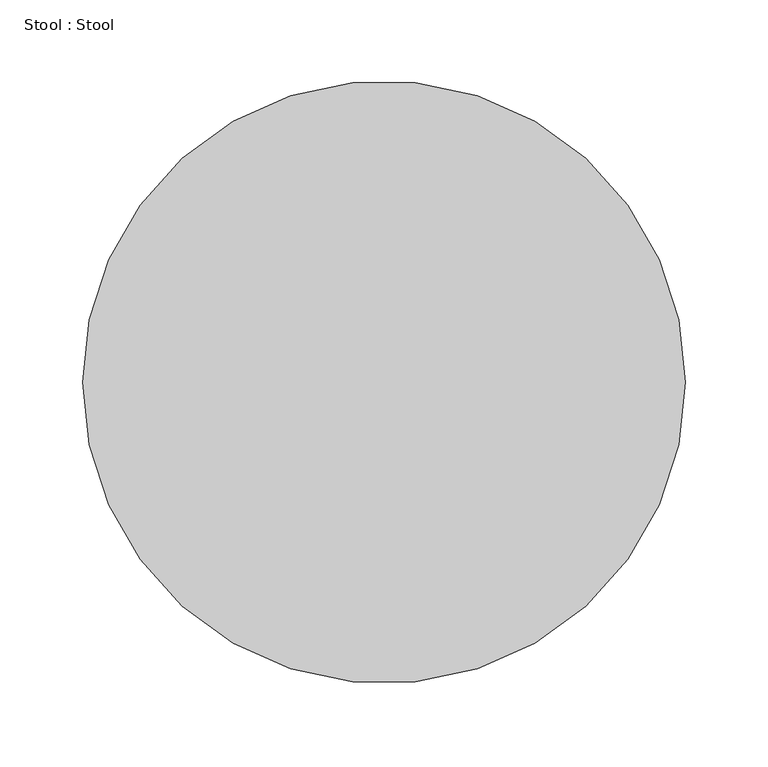
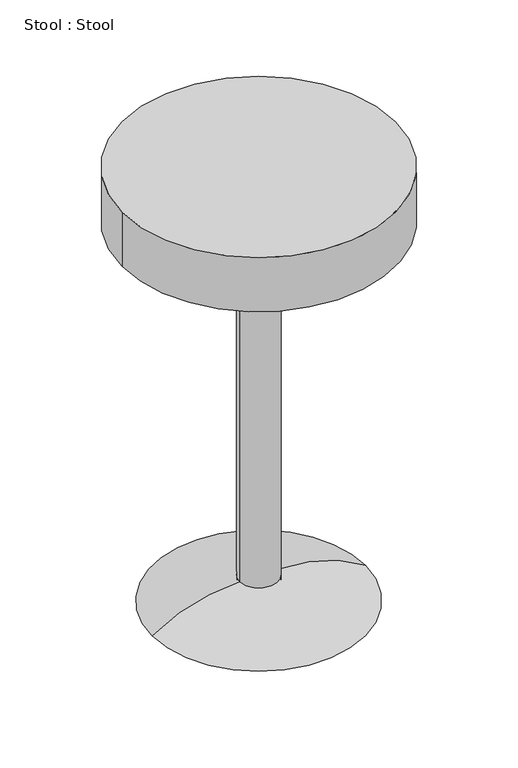
"""IFC4 building model written with IfcOpenShell, lengths in millimetres: proxy geometry, Stool : Stool."""

from ifc_helpers import new_model, si_unit, point, frame, origin, origin_with_axes, origin_2d, place, context, project, spatial, polyline, circle_curve, ellipse_curve, trimmed, segment, composite_curve, outline, extrude, source, transform, mapped, element, save
from ifc_brep_helpers import plane_surface, revolved_surface, advanced_brep


def stool_stool_7f6b7c9b(model_context):
    return source(origin(), model_context, "Body", "SolidModel", [
        advanced_brep(
        [(25.4466483, 0.0, 0.0), (25.4466483, 0.0, 35.533517), (-25.4466483, 0.0, 35.533517), (-25.4466483, 0.0, 0.0), (141.6715454, 0.0, 0.0), (-141.6715454, 0.0, 0.0)],
        [
            (0, 1),
            (1, 2, circle_curve(frame((0.0, 0.0, 35.533517), z_axis=(0.0, 0.0, 1.0), x_axis=(-1.0, 0.0, 0.0)), 25.4466483)),
            (2, 3),
            (3, 0, circle_curve(frame((0.0, 0.0, 0.0), z_axis=(0.0, 0.0, -1.0), x_axis=(-1.0, 0.0, 0.0)), 25.4466483)),
            (1, 4, circle_curve(frame((27.5960377, 0.0, -165.28016), z_axis=(0.0, 1.0, 0.0), x_axis=(-1.0, 0.0, 0.0)), 200.8251796)),
            (4, 5, circle_curve(frame((0.0, 0.0, 0.0), z_axis=(0.0, 0.0, 1.0), x_axis=(-1.0, 0.0, 0.0)), 141.6715454)),
            (5, 2, circle_curve(frame((-27.5960377, 0.0, -165.28016), z_axis=(0.0, 1.0, 0.0), x_axis=(1.0, 0.0, 0.0)), 200.8251796)),
            (2, 1, circle_curve(frame((0.0, 0.0, 35.533517), z_axis=(0.0, 0.0, 1.0), x_axis=(1.0, 0.0, 0.0)), 25.4466483)),
            (0, 3, circle_curve(frame((0.0, 0.0, 0.0), z_axis=(0.0, 0.0, -1.0), x_axis=(1.0, 0.0, 0.0)), 25.4466483)),
            (4, 5, circle_curve(frame((0.0, 0.0, 0.0), z_axis=(0.0, 0.0, -1.0), x_axis=(1.0, 0.0, 0.0)), 141.6715454)),
        ],
        [
            revolved_surface(polyline([(-25.4466483, 0.0, 35.533517), (-25.4466483, 0.0, 0.0)]), (0.0, 0.0, 0.0), (0.0, 0.0, 1.0)),
            revolved_surface(trimmed(ellipse_curve(frame((-27.5960377, 0.0, -165.28016), z_axis=(0.0, 1.0, 0.0), x_axis=(1.0, 0.0, 0.0)), 200.8251796, 200.8251796), [point((-141.6715454, 0.0, 0.0))], [point((-25.4466483, 0.0, 35.533517))], True, "CARTESIAN"), (0.0, 0.0, 0.0), (0.0, 0.0, 1.0)),
            revolved_surface(polyline([(25.4466483, 0.0, 35.533517), (25.4466483, 0.0, 0.0)]), (0.0, 0.0, 0.0), (0.0, 0.0, 1.0)),
            plane_surface(frame((0.0, 0.0, 0.0), z_axis=(0.0, 0.0, -1.0), x_axis=(1.0, 0.0, 0.0))),
            revolved_surface(trimmed(ellipse_curve(frame((27.5960377, 0.0, -165.28016), z_axis=(0.0, -1.0, 0.0), x_axis=(-1.0, 0.0, 0.0)), 200.8251796, 200.8251796), [point((141.6715454, 0.0, 0.0))], [point((25.4466483, 0.0, 35.533517))], True, "CARTESIAN"), (0.0, 0.0, 0.0), (0.0, 0.0, 1.0)),
        ],
        [
            (0, [[1, 2, 3, 4]]),
            (1, [[5, 6, 7, -2]]),
            (2, [[-3, 8, -1, 9]]),
            (3, [[-6, 10], [-4, -9]]),
            (4, [[-7, -10, -5, -8]]),
        ],
    ),
        extrude(outline(composite_curve([segment(trimmed(circle_curve(origin_2d(), 25.4466483), [point((-25.4466483, 0.0))], [point((25.4466483, 0.0))], False, "CARTESIAN"), True, "CONTINUOUS"), segment(trimmed(circle_curve(origin_2d(), 25.4466483), [point((25.4466483, 0.0))], [point((-25.4466483, 0.0))], False, "CARTESIAN"), True, "CONTINUOUS")], self_intersect=False)), origin_with_axes(), (0.0, 0.0, 1.0), 533.4),
        extrude(outline(composite_curve([segment(trimmed(circle_curve(origin_2d(), 182.0019338), [point((-182.0019338, 0.0))], [point((182.0019338, 0.0))], False, "CARTESIAN"), True, "CONTINUOUS"), segment(trimmed(circle_curve(origin_2d(), 182.0019338), [point((182.0019338, 0.0))], [point((-182.0019338, 0.0))], False, "CARTESIAN"), True, "CONTINUOUS")], self_intersect=False)), frame((0.0, 0.0, 533.4), z_axis=(0.0, 0.0, 1.0), x_axis=(1.0, 0.0, 0.0)), (0.0, 0.0, 1.0), 76.2),
    ])


if __name__ == "__main__":
    model = new_model("IFC4")
    model_context = context("Model", 3, world=origin())
    ifc_project = project(units=[si_unit("LENGTHUNIT", "METRE", prefix="MILLI")], contexts=[model_context])
    site = spatial("IfcSite", under=ifc_project)
    building = spatial("IfcBuilding", under=site)
    placement = place(None, origin())
    stool_stool_shape = stool_stool_7f6b7c9b(model_context)
    element("IfcBuildingElementProxy", 1, Name="Stool : Stool", ObjectType="Stool : Stool", at=placement, inside=building, context=model_context, shape_type="MappedRepresentation", body=[
        mapped(stool_stool_shape, transform((0.0, 0.0, 0.0), x_axis=(1.0, 0.0, 0.0), y_axis=(0.0, 1.0, 0.0), z_axis=(0.0, 0.0, 1.0))),
    ])
    save(model, "model.ifc")
